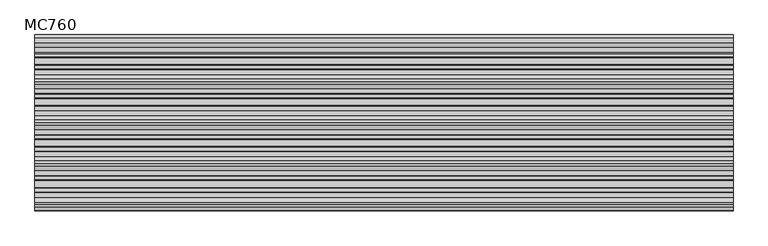
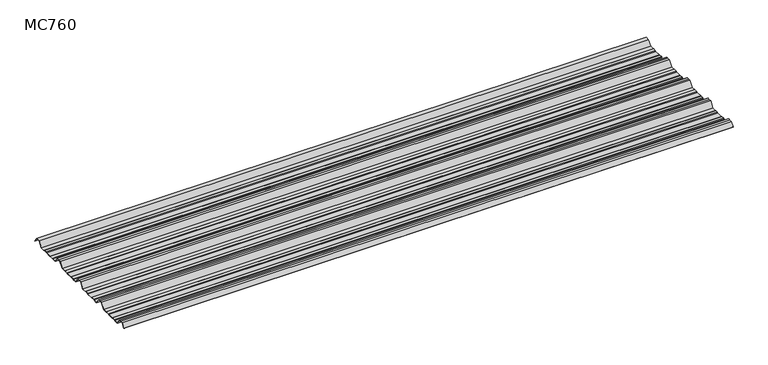
"""IFC4 building model written with IfcOpenShell, lengths in millimetres: beam geometry, MC760."""

import ifcopenshell
import ifcopenshell.guid

model = None  # the IFC model being written
_history = None  # IfcOwnerHistory: only IFC2X3 demands one
_inside = {}  # id of a spatial element -> (the spatial element, [elements in it])
_under = {}  # id of a project, library or spatial element -> (it, [spatial elements below it])
_declared = {}  # id of a project -> (the project, [libraries it declares])
_typed = {}  # id of a type object -> (the type object, [elements of that type])
_made_of = {}  # id of a material, layer set ... -> (it, [elements and type objects made of it])


def new_model(schema):
    """Start an empty IFC model of exactly this schema.

    Asked for "IFC4X3", IfcOpenShell would pick the latest addendum, in which some entities
    have other attributes; the version numbers below select the first issue.
    IFC2X3 requires an IfcOwnerHistory on every rooted entity: one is made here for all.
    """
    global model, _history
    if schema == "IFC4X3":
        model = ifcopenshell.file(schema_version=(4, 3, 0, 0))
    else:
        model = ifcopenshell.file(schema=schema)
    _inside.clear()
    _under.clear()
    _declared.clear()
    _typed.clear()
    _made_of.clear()
    _history = None
    if model.schema == "IFC2X3":
        org = make("IfcOrganization", Name="unknown")
        user = make(
            "IfcPersonAndOrganization",
            ThePerson=make("IfcPerson", FamilyName="unknown"),
            TheOrganization=org,
        )
        app = make(
            "IfcApplication",
            ApplicationDeveloper=org,
            Version="unknown",
            ApplicationFullName="unknown",
            ApplicationIdentifier="unknown",
        )
        _history = make(
            "IfcOwnerHistory",
            OwningUser=user,
            OwningApplication=app,
            ChangeAction="ADDED",
            CreationDate=0,
        )
    return model


def make(cls, **values):
    """One entity of the class cls with the attributes given. An attribute that is None is left unset."""
    return model.create_entity(
        cls, **{name: value for name, value in values.items() if value is not None}
    )


def rooted(cls, **values):
    """An entity with a GlobalId (a new one), such as an element, a storey or a relation."""
    return make(cls, GlobalId=ifcopenshell.guid.new(), OwnerHistory=_history, **values)


def si_unit(unit_type, name, prefix=None):
    """IfcSIUnit, for example si_unit("LENGTHUNIT", "METRE", prefix="MILLI")."""
    return make("IfcSIUnit", UnitType=unit_type, Prefix=prefix, Name=name)


def assignment(units):
    """IfcUnitAssignment: the units of a project."""
    return None if units is None else make("IfcUnitAssignment", Units=units)


def point(xyz):
    """IfcCartesianPoint."""
    return None if xyz is None else make("IfcCartesianPoint", Coordinates=xyz)


def direction(xyz):
    """IfcDirection."""
    return None if xyz is None else make("IfcDirection", DirectionRatios=xyz)


def frame(location, z_axis=None, x_axis=None):
    """IfcAxis2Placement3D, a coordinate frame: its origin and axes. An axis left out is left unset."""
    return make(
        "IfcAxis2Placement3D",
        Location=point(location),
        Axis=direction(z_axis),
        RefDirection=direction(x_axis),
    )


def frame_2d(location, x_axis=None):
    """IfcAxis2Placement2D, a coordinate frame in the plane: its origin and x axis."""
    return make(
        "IfcAxis2Placement2D", Location=point(location), RefDirection=direction(x_axis)
    )


def origin():
    """The frame at (0, 0, 0) with its axes left unset."""
    return frame((0.0, 0.0, 0.0))


def place(relative_to, where):
    """IfcLocalPlacement: puts the frame where relative to a parent placement (None: the world)."""
    return make(
        "IfcLocalPlacement", PlacementRelTo=relative_to, RelativePlacement=where
    )


def context(
    kind, dimensions, precision=None, world=None, true_north=None, identifier=None
):
    """IfcGeometricRepresentationContext, for example the 3D "Model" context."""
    return make(
        "IfcGeometricRepresentationContext",
        ContextIdentifier=identifier,
        ContextType=kind,
        CoordinateSpaceDimension=dimensions,
        Precision=precision,
        WorldCoordinateSystem=world,
        TrueNorth=true_north,
    )


def project(units=None, contexts=None):
    """IfcProject with its units and contexts."""
    return rooted(
        "IfcProject",
        Name="project",
        RepresentationContexts=contexts,
        UnitsInContext=assignment(units),
    )


def spatial(cls, under=None, at=None, **own):
    """A site, building, storey or space (cls), placed at a placement, below another one or the project."""
    s = rooted(cls, ObjectPlacement=at, **own)
    if under is not None:
        _under.setdefault(under.id(), (under, []))[1].append(s)
    return s


def polyline(points):
    """IfcPolyline through the points."""
    return make("IfcPolyline", Points=[point(p) for p in points])


def circle_curve(where, radius):
    """IfcCircle in the frame where."""
    return make("IfcCircle", Position=where, Radius=radius)


def trimmed(basis, trim1, trim2, sense, master):
    """IfcTrimmedCurve: the piece of a basis curve between two trims."""
    return make(
        "IfcTrimmedCurve",
        BasisCurve=basis,
        Trim1=trim1,
        Trim2=trim2,
        SenseAgreement=sense,
        MasterRepresentation=master,
    )


def segment(curve, same_sense, transition):
    """IfcCompositeCurveSegment."""
    return make(
        "IfcCompositeCurveSegment",
        Transition=transition,
        SameSense=same_sense,
        ParentCurve=curve,
    )


def composite_curve(segments, self_intersect=None):
    """IfcCompositeCurve: segments joined end to end."""
    return make("IfcCompositeCurve", Segments=segments, SelfIntersect=self_intersect)


def outline(outer, holes=None, kind="AREA"):
    """IfcArbitraryClosedProfileDef: a profile drawn as a closed curve; with holes, ...WithVoids."""
    if holes is None:
        return make("IfcArbitraryClosedProfileDef", ProfileType=kind, OuterCurve=outer)
    return make(
        "IfcArbitraryProfileDefWithVoids",
        ProfileType=kind,
        OuterCurve=outer,
        InnerCurves=holes,
    )


def extrude(swept, where, along, depth):
    """IfcExtrudedAreaSolid: the profile swept, set in the frame where, extruded along a direction by depth."""
    return make(
        "IfcExtrudedAreaSolid",
        SweptArea=swept,
        Position=where,
        ExtrudedDirection=direction(along),
        Depth=depth,
    )


def shape(context_of_items, identifier, shape_type, items):
    """IfcShapeRepresentation: the items that make up one representation, for example the "Body"."""
    return make(
        "IfcShapeRepresentation",
        ContextOfItems=context_of_items,
        RepresentationIdentifier=identifier,
        RepresentationType=shape_type,
        Items=items,
    )


def source(mapping_origin, context_of_items, identifier, shape_type, items):
    """IfcRepresentationMap: a shape defined once, which mapped items show again and again."""
    return make(
        "IfcRepresentationMap",
        MappingOrigin=mapping_origin,
        MappedRepresentation=shape(context_of_items, identifier, shape_type, items),
    )


def transform(
    local_origin,
    x_axis=None,
    y_axis=None,
    z_axis=None,
    scale=None,
    scale2=None,
    scale3=None,
    uniform=True,
):
    """IfcCartesianTransformationOperator3D, or its non-uniform kind. x_axis, y_axis, z_axis: its Axis1, 2, 3."""
    if uniform:
        return make(
            "IfcCartesianTransformationOperator3D",
            Axis1=direction(x_axis),
            Axis2=direction(y_axis),
            LocalOrigin=point(local_origin),
            Scale=scale,
            Axis3=direction(z_axis),
        )
    return make(
        "IfcCartesianTransformationOperator3DnonUniform",
        Axis1=direction(x_axis),
        Axis2=direction(y_axis),
        LocalOrigin=point(local_origin),
        Scale=scale,
        Axis3=direction(z_axis),
        Scale2=scale2,
        Scale3=scale3,
    )


def mapped(mapping_source, mapping_target):
    """IfcMappedItem: shows the shape of a source again, moved by a transform."""
    return make(
        "IfcMappedItem", MappingSource=mapping_source, MappingTarget=mapping_target
    )


def made_of(thing, what):
    """Note that an element or type object is made of a material, layer set ...; save() writes the relation."""
    if what is not None:
        _made_of.setdefault(what.id(), (what, []))[1].append(thing)
    return thing


def element(
    cls,
    number,
    at=None,
    inside=None,
    cuts=None,
    type_object=None,
    material=None,
    context=None,
    identifier="Body",
    shape_type=None,
    held_by="IfcProductDefinitionShape",
    body=None,
    shapes=None,
    **own,
):
    """One element of the class cls, such as IfcWall. Its Tag is "e" and its number.

    at: its placement. inside: the storey or other place that contains it. cuts: it is an
    opening in that element (IfcRelVoidsElement). A single representation is given by context,
    identifier, shape_type and body (its items); several are given by shapes. held_by: the class
    of the entity that holds the representations. save() writes the other relations.
    """
    e = rooted(cls, Tag="e%d" % number, ObjectPlacement=at, **own)
    if body is not None:
        shapes = [shape(context, identifier, shape_type, body)]
    if shapes is not None:
        e.Representation = make(held_by, Representations=shapes)
    if inside is not None:
        _inside.setdefault(inside.id(), (inside, []))[1].append(e)
    if cuts is not None:
        rooted(
            "IfcRelVoidsElement", RelatingBuildingElement=cuts, RelatedOpeningElement=e
        )
    if type_object is not None:
        _typed.setdefault(type_object.id(), (type_object, []))[1].append(e)
    return made_of(e, material)


def aggregate(whole, parts):
    """IfcRelAggregates: a whole, such as a stair, and the parts it consists of."""
    return rooted("IfcRelAggregates", RelatingObject=whole, RelatedObjects=parts)


def save(model, path):
    """Write the relations noted so far, then the file.

    IfcRelAggregates (storeys below a building ...), IfcRelContainedInSpatialStructure (elements
    in a storey), IfcRelDefinesByType, IfcRelAssociatesMaterial and IfcRelDeclares: one each for
    every whole, place, type object, material and project.
    """
    for whole, parts in _under.values():
        aggregate(whole, parts)
    for where, things in _inside.values():
        rooted(
            "IfcRelContainedInSpatialStructure",
            RelatedElements=things,
            RelatingStructure=where,
        )
    for kind, things in _typed.values():
        rooted("IfcRelDefinesByType", RelatedObjects=things, RelatingType=kind)
    for what, things in _made_of.values():
        rooted("IfcRelAssociatesMaterial", RelatedObjects=things, RelatingMaterial=what)
    for by, libraries in _declared.values():
        rooted("IfcRelDeclares", RelatingContext=by, RelatedDefinitions=libraries)
    model.write(path)


def mc760_4e7c4c27(model_context):
    return source(origin(), model_context, "Body", "SweptSolid", [
        extrude(outline(composite_curve([segment(polyline([(-157.5000859, -25.7896475), (-178.0745114, 2.2103525), (-190.0, 2.2103525), (-201.9254886, 2.2103525), (-222.4999141, -25.7896475), (-245.1975582, -25.7896475), (-248.4126024, -23.7494212), (-264.8405937, -23.7494212), (-269.2209114, -25.7896475), (-300.7790886, -25.7896475), (-305.1594063, -23.7494212), (-321.5873976, -23.7494212), (-324.8024418, -25.7896475), (-347.5000859, -25.7896475), (-368.0745114, 2.2103525), (-380.0, 2.2103525), (-391.9254886, 2.2103525), (-412.4999141, -25.7896475), (-435.1975582, -25.7896475), (-438.4126024, -23.7494212), (-454.8405937, -23.7494212), (-459.2209114, -25.7896475), (-490.7790886, -25.7896475), (-495.1594063, -23.7494212), (-511.5873976, -23.7494212), (-514.8024418, -25.7896475), (-537.5000859, -25.7896475), (-558.0745114, 2.2103525), (-570.0, 2.2103525), (-581.9254886, 2.2103525), (-602.4999141, -25.7896475), (-625.1975582, -25.7896475), (-628.4126024, -23.7494212), (-644.8405937, -23.7494212), (-649.2209114, -25.7896475), (-680.7790886, -25.7896475), (-685.1594063, -23.7494212), (-701.5873976, -23.7494212), (-704.8024418, -25.7896475), (-727.5000859, -25.7896475), (-748.0745114, 2.2103525), (-760.0, 2.2103525), (-771.9254886, 2.2103525), (-787.4770979, -18.9540324)]), True, "CONTINUOUS"), segment(trimmed(circle_curve(frame_2d((-787.9022179, -18.6416538)), 0.5275485), [point((-787.4770979, -18.9540324))], [point((-788.327338, -18.3292752))], False, "CARTESIAN"), True, "CONTINUOUS"), segment(polyline([(-788.327338, -18.3292752), (-772.5, 3.2103525), (-760.0, 3.2103525), (-747.5, 3.2103525), (-726.9255746, -24.7896475), (-705.0929563, -24.7896475), (-701.8779121, -22.7494212), (-684.9379428, -22.7494212), (-680.5576251, -24.7896475), (-649.4423749, -24.7896475), (-645.0620572, -22.7494212), (-628.1220879, -22.7494212), (-624.9070437, -24.7896475), (-603.0744254, -24.7896475), (-582.5, 3.2103525), (-570.0, 3.2103525), (-557.5, 3.2103525), (-536.9255746, -24.7896475), (-515.0929563, -24.7896475), (-511.8779121, -22.7494212), (-494.9379428, -22.7494212), (-490.5576251, -24.7896475), (-459.4423749, -24.7896475), (-455.0620572, -22.7494212), (-438.1220879, -22.7494212), (-434.9070437, -24.7896475), (-413.0744254, -24.7896475), (-392.5, 3.2103525), (-380.0, 3.2103525), (-367.5, 3.2103525), (-346.9255746, -24.7896475), (-325.0929563, -24.7896475), (-321.8779121, -22.7494212), (-304.9379428, -22.7494212), (-300.5576251, -24.7896475), (-269.4423749, -24.7896475), (-265.0620572, -22.7494212), (-248.1220879, -22.7494212), (-244.9070437, -24.7896475), (-223.0744254, -24.7896475), (-202.5, 3.2103525), (-190.0, 3.2103525), (-177.5, 3.2103525), (-156.9255746, -24.7896475), (-135.0929563, -24.7896475), (-131.8779121, -22.7494212), (-114.9379428, -22.7494212), (-110.5576251, -24.7896475), (-79.4423749, -24.7896475), (-75.0620572, -22.7494212), (-58.1220879, -22.7494212), (-54.9070437, -24.7896475), (-30.524173, -24.7896475), (-11.4193494, 1.2103525), (11.4193494, 1.2103525), (27.9327415, -21.262935)]), True, "CONTINUOUS"), segment(trimmed(circle_curve(frame_2d((27.5298212, -21.5590012)), 0.5), [point((27.9327415, -21.262935))], [point((27.1269009, -21.8550675))], False, "CARTESIAN"), True, "CONTINUOUS"), segment(polyline([(27.1269009, -21.8550675), (10.9132102, 0.2103525), (-10.9132102, 0.2103525), (-30.0180338, -25.7896475), (-55.1975582, -25.7896475), (-58.4126024, -23.7494212), (-74.8405937, -23.7494212), (-79.2209114, -25.7896475), (-110.7790886, -25.7896475), (-115.1594063, -23.7494212), (-131.5873976, -23.7494212), (-134.8024418, -25.7896475), (-157.5000859, -25.7896475)]), True, "CONTINUOUS")], self_intersect=False)), frame((-1615.4201823, 0.0, 0.0), z_axis=(1.0, 0.0, 0.0), x_axis=(0.0, 1.0, 0.0)), (0.0, 0.0, 1.0), 3230.8403647),
    ])


if __name__ == "__main__":
    model = new_model("IFC4")
    model_context = context("Model", 3, world=origin())
    ifc_project = project(units=[si_unit("LENGTHUNIT", "METRE", prefix="MILLI")], contexts=[model_context])
    site = spatial("IfcSite", under=ifc_project)
    building = spatial("IfcBuilding", under=site)
    placement = place(None, origin())
    mc760_shape = mc760_4e7c4c27(model_context)
    element("IfcBeam", 1, ObjectType="MC760", at=placement, inside=building, context=model_context, shape_type="MappedRepresentation", body=[
        mapped(mc760_shape, transform((0.0, 0.0, 0.0), x_axis=(1.0, 0.0, 0.0), y_axis=(0.0, 1.0, 0.0), z_axis=(0.0, 0.0, 1.0))),
    ])
    save(model, "model.ifc")
